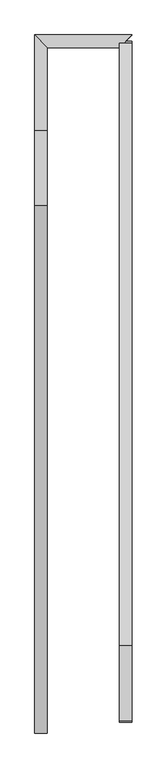
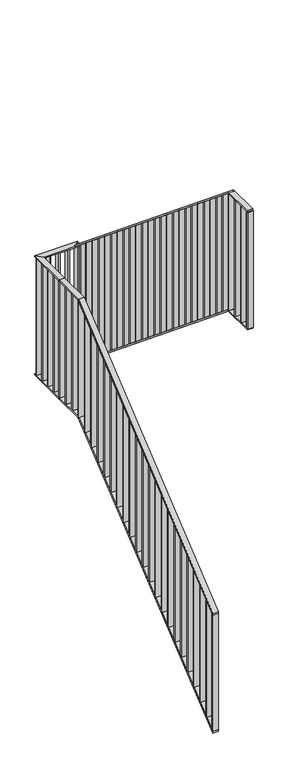
"""IFC4 building model written with IfcOpenShell, lengths in millimetres: railing geometry."""

from ifc_helpers import new_model, si_unit, frame, origin, place, context, project, spatial, polyline, outline, extrude, faceted_brep, source, transform, mapped, element, save


def railing_6a88fb97(model_context):
    return source(origin(), model_context, "Body", "SolidModel", [
        faceted_brep([(16134.6, 16194.0, -1956.875), (16094.6, 16194.0, -1956.875), (16094.6, 16194.0, -1969.799496), (16134.6, 16194.0, -1969.799496), (16134.6, 17879.25, -577.0), (16094.6, 17879.25, -577.0), (16094.6, 17882.8217053, -587.0), (16134.6, 17882.8217053, -587.0), (16134.6, 18120.0, -577.0), (16134.6, 18120.0, -587.0), (16094.6, 18120.0, -587.0), (16094.6, 18120.0, -577.0)], [[[0, 1, 2, 3]], [[1, 0, 4, 5]], [[2, 1, 5, 6]], [[3, 2, 6, 7]], [[0, 3, 7, 4]], [[8, 9, 10, 11]], [[5, 4, 8, 11]], [[6, 5, 11, 10]], [[7, 6, 10, 9]], [[4, 7, 9, 8]]]),
        faceted_brep([(16134.6, 18120.0, -577.0), (16094.6, 18120.0, -577.0), (16094.6, 18120.0, -587.0), (16134.6, 18120.0, -587.0), (16134.6, 18385.4, -577.0), (16134.6, 18385.4, -587.0), (16094.6, 18425.4, -587.0), (16094.6, 18425.4, -577.0)], [[[0, 1, 2, 3]], [[4, 5, 6, 7]], [[1, 0, 4, 7]], [[2, 1, 7, 6]], [[3, 2, 6, 5]], [[0, 3, 5, 4]]]),
        faceted_brep([(16134.6, 18385.4, -577.0), (16094.6, 18425.4, -577.0), (16094.6, 18425.4, -587.0), (16134.6, 18385.4, -587.0), (16365.4, 18385.4, -577.0), (16365.4, 18385.4, -587.0), (16405.4, 18425.4, -587.0), (16405.4, 18425.4, -577.0)], [[[0, 1, 2, 3]], [[4, 5, 6, 7]], [[1, 0, 4, 7]], [[2, 1, 7, 6]], [[3, 2, 6, 5]], [[0, 3, 5, 4]]]),
        faceted_brep([(16365.4, 18405.4, -577.0), (16405.4, 18405.4, -577.0), (16405.4, 18405.4, -587.0), (16365.4, 18405.4, -587.0), (16365.4, 18400.0, -577.0), (16405.4, 18400.0, -577.0), (16405.4, 18396.4282947, -587.0), (16365.4, 18396.4282947, -587.0), (16365.4, 16474.0, 1000.0), (16405.4, 16474.0, 1000.0), (16405.4, 16470.4282947, 990.0), (16365.4, 16470.4282947, 990.0), (16365.4, 16233.25, 1000.0), (16365.4, 16233.25, 990.0), (16405.4, 16233.25, 990.0), (16405.4, 16233.25, 1000.0)], [[[0, 1, 2, 3]], [[1, 0, 4, 5]], [[2, 1, 5, 6]], [[3, 2, 6, 7]], [[0, 3, 7, 4]], [[5, 4, 8, 9]], [[6, 5, 9, 10]], [[7, 6, 10, 11]], [[4, 7, 11, 8]], [[12, 13, 14, 15]], [[9, 8, 12, 15]], [[10, 9, 15, 14]], [[11, 10, 14, 13]], [[8, 11, 13, 12]]]),
        faceted_brep([(16134.6, 16194.0, -2856.875), (16094.6, 16194.0, -2856.875), (16094.6, 16194.0, -2869.799496), (16134.6, 16194.0, -2869.799496), (16134.6, 17879.25, -1477.0), (16094.6, 17879.25, -1477.0), (16094.6, 17882.8217053, -1487.0), (16134.6, 17882.8217053, -1487.0), (16134.6, 18120.0, -1477.0), (16134.6, 18120.0, -1487.0), (16094.6, 18120.0, -1487.0), (16094.6, 18120.0, -1477.0)], [[[0, 1, 2, 3]], [[1, 0, 4, 5]], [[2, 1, 5, 6]], [[3, 2, 6, 7]], [[0, 3, 7, 4]], [[8, 9, 10, 11]], [[5, 4, 8, 11]], [[6, 5, 11, 10]], [[7, 6, 10, 9]], [[4, 7, 9, 8]]]),
        faceted_brep([(16134.6, 18120.0, -1477.0), (16094.6, 18120.0, -1477.0), (16094.6, 18120.0, -1487.0), (16134.6, 18120.0, -1487.0), (16134.6, 18385.4, -1477.0), (16134.6, 18385.4, -1487.0), (16094.6, 18425.4, -1487.0), (16094.6, 18425.4, -1477.0)], [[[0, 1, 2, 3]], [[4, 5, 6, 7]], [[1, 0, 4, 7]], [[2, 1, 7, 6]], [[3, 2, 6, 5]], [[0, 3, 5, 4]]]),
        faceted_brep([(16134.6, 18385.4, -1477.0), (16094.6, 18425.4, -1477.0), (16094.6, 18425.4, -1487.0), (16134.6, 18385.4, -1487.0), (16365.4, 18385.4, -1477.0), (16365.4, 18385.4, -1487.0), (16405.4, 18425.4, -1487.0), (16405.4, 18425.4, -1477.0)], [[[0, 1, 2, 3]], [[4, 5, 6, 7]], [[1, 0, 4, 7]], [[2, 1, 7, 6]], [[3, 2, 6, 5]], [[0, 3, 5, 4]]]),
        faceted_brep([(16365.4, 18405.4, -1477.0), (16405.4, 18405.4, -1477.0), (16405.4, 18405.4, -1487.0), (16365.4, 18405.4, -1487.0), (16365.4, 18400.0, -1477.0), (16405.4, 18400.0, -1477.0), (16405.4, 18396.4282947, -1487.0), (16365.4, 18396.4282947, -1487.0), (16365.4, 16474.0, 100.0), (16405.4, 16474.0, 100.0), (16405.4, 16470.4282947, 90.0), (16365.4, 16470.4282947, 90.0), (16365.4, 16233.25, 100.0), (16365.4, 16233.25, 90.0), (16405.4, 16233.25, 90.0), (16405.4, 16233.25, 100.0)], [[[0, 1, 2, 3]], [[1, 0, 4, 5]], [[2, 1, 5, 6]], [[3, 2, 6, 7]], [[0, 3, 7, 4]], [[5, 4, 8, 9]], [[6, 5, 9, 10]], [[7, 6, 10, 11]], [[4, 7, 11, 8]], [[12, 13, 14, 15]], [[9, 8, 12, 15]], [[10, 9, 15, 14]], [[11, 10, 14, 13]], [[8, 11, 13, 12]]]),
        extrude(outline(polyline([(16365.4, 16238.25), (16405.4, 16238.25), (16405.4, 16228.25), (16365.4, 16228.25), (16365.4, 16238.25)])), frame((0.0, 0.0, 100.0), z_axis=(0.0, 0.0, 1.0), x_axis=(1.0, 0.0, 0.0)), (0.0, 0.0, 1.0), 890.0),
        extrude(outline(polyline([(16365.4, 16315.8267857), (16405.4, 16315.8267857), (16405.4, 16305.8267857), (16365.4, 16305.8267857), (16365.4, 16315.8267857)])), frame((0.0, 0.0, 100.0), z_axis=(0.0, 0.0, 1.0), x_axis=(1.0, 0.0, 0.0)), (0.0, 0.0, 1.0), 890.0),
        extrude(outline(polyline([(16365.4, 16393.4035714), (16405.4, 16393.4035714), (16405.4, 16383.4035714), (16365.4, 16383.4035714), (16365.4, 16393.4035714)])), frame((0.0, 0.0, 100.0), z_axis=(0.0, 0.0, 1.0), x_axis=(1.0, 0.0, 0.0)), (0.0, 0.0, 1.0), 890.0),
        extrude(outline(polyline([(16365.4, 16470.9803571), (16405.4, 16470.9803571), (16405.4, 16460.9803571), (16365.4, 16460.9803571), (16365.4, 16470.9803571)])), frame((0.0, 0.0, 100.0), z_axis=(0.0, 0.0, 1.0), x_axis=(1.0, 0.0, 0.0)), (0.0, 0.0, 1.0), 890.0),
        extrude(outline(polyline([(16548.5571429, 928.9529521), (16548.5571429, 38.9529521), (16538.5571429, 47.1409064), (16538.5571429, 937.1409064), (16548.5571429, 928.9529521)])), frame((16365.4, 0.0, 0.0), z_axis=(1.0, 0.0, 0.0), x_axis=(0.0, 1.0, 0.0)), (0.0, 0.0, 1.0), 40.0),
        extrude(outline(polyline([(16626.1339286, 865.4334344), (16626.1339286, -24.5665656), (16616.1339286, -16.3786113), (16616.1339286, 873.6213887), (16626.1339286, 865.4334344)])), frame((16365.4, 0.0, 0.0), z_axis=(1.0, 0.0, 0.0), x_axis=(0.0, 1.0, 0.0)), (0.0, 0.0, 1.0), 40.0),
        extrude(outline(polyline([(16703.7107143, 801.9139167), (16703.7107143, -88.0860833), (16693.7107143, -79.898129), (16693.7107143, 810.101871), (16703.7107143, 801.9139167)])), frame((16365.4, 0.0, 0.0), z_axis=(1.0, 0.0, 0.0), x_axis=(0.0, 1.0, 0.0)), (0.0, 0.0, 1.0), 40.0),
        extrude(outline(polyline([(16781.2875, 738.394399), (16781.2875, -151.605601), (16771.2875, -143.4176467), (16771.2875, 746.5823533), (16781.2875, 738.394399)])), frame((16365.4, 0.0, 0.0), z_axis=(1.0, 0.0, 0.0), x_axis=(0.0, 1.0, 0.0)), (0.0, 0.0, 1.0), 40.0),
        extrude(outline(polyline([(16858.8642857, 674.8748813), (16858.8642857, -215.1251187), (16848.8642857, -206.9371644), (16848.8642857, 683.0628356), (16858.8642857, 674.8748813)])), frame((16365.4, 0.0, 0.0), z_axis=(1.0, 0.0, 0.0), x_axis=(0.0, 1.0, 0.0)), (0.0, 0.0, 1.0), 40.0),
        extrude(outline(polyline([(16936.4410714, 611.3553636), (16936.4410714, -278.6446364), (16926.4410714, -270.4566821), (16926.4410714, 619.5433179), (16936.4410714, 611.3553636)])), frame((16365.4, 0.0, 0.0), z_axis=(1.0, 0.0, 0.0), x_axis=(0.0, 1.0, 0.0)), (0.0, 0.0, 1.0), 40.0),
        extrude(outline(polyline([(17014.0178571, 547.8358459), (17014.0178571, -342.1641541), (17004.0178571, -333.9761997), (17004.0178571, 556.0238003), (17014.0178571, 547.8358459)])), frame((16365.4, 0.0, 0.0), z_axis=(1.0, 0.0, 0.0), x_axis=(0.0, 1.0, 0.0)), (0.0, 0.0, 1.0), 40.0),
        extrude(outline(polyline([(17091.5946429, 484.3163283), (17091.5946429, -405.6836717), (17081.5946429, -397.4957174), (17081.5946429, 492.5042826), (17091.5946429, 484.3163283)])), frame((16365.4, 0.0, 0.0), z_axis=(1.0, 0.0, 0.0), x_axis=(0.0, 1.0, 0.0)), (0.0, 0.0, 1.0), 40.0),
        extrude(outline(polyline([(17169.1714286, 420.7968106), (17169.1714286, -469.2031894), (17159.1714286, -461.0152351), (17159.1714286, 428.9847649), (17169.1714286, 420.7968106)])), frame((16365.4, 0.0, 0.0), z_axis=(1.0, 0.0, 0.0), x_axis=(0.0, 1.0, 0.0)), (0.0, 0.0, 1.0), 40.0),
        extrude(outline(polyline([(17246.7482143, 357.2772929), (17246.7482143, -532.7227071), (17236.7482143, -524.5347528), (17236.7482143, 365.4652472), (17246.7482143, 357.2772929)])), frame((16365.4, 0.0, 0.0), z_axis=(1.0, 0.0, 0.0), x_axis=(0.0, 1.0, 0.0)), (0.0, 0.0, 1.0), 40.0),
        extrude(outline(polyline([(17324.325, 293.7577752), (17324.325, -596.2422248), (17314.325, -588.0542705), (17314.325, 301.9457295), (17324.325, 293.7577752)])), frame((16365.4, 0.0, 0.0), z_axis=(1.0, 0.0, 0.0), x_axis=(0.0, 1.0, 0.0)), (0.0, 0.0, 1.0), 40.0),
        extrude(outline(polyline([(17401.9017857, 230.2382575), (17401.9017857, -659.7617425), (17391.9017857, -651.5737882), (17391.9017857, 238.4262118), (17401.9017857, 230.2382575)])), frame((16365.4, 0.0, 0.0), z_axis=(1.0, 0.0, 0.0), x_axis=(0.0, 1.0, 0.0)), (0.0, 0.0, 1.0), 40.0),
        extrude(outline(polyline([(17479.4785714, 166.7187398), (17479.4785714, -723.2812602), (17469.4785714, -715.0933059), (17469.4785714, 174.9066941), (17479.4785714, 166.7187398)])), frame((16365.4, 0.0, 0.0), z_axis=(1.0, 0.0, 0.0), x_axis=(0.0, 1.0, 0.0)), (0.0, 0.0, 1.0), 40.0),
        extrude(outline(polyline([(17557.0553571, 103.1992221), (17557.0553571, -786.8007779), (17547.0553571, -778.6128236), (17547.0553571, 111.3871764), (17557.0553571, 103.1992221)])), frame((16365.4, 0.0, 0.0), z_axis=(1.0, 0.0, 0.0), x_axis=(0.0, 1.0, 0.0)), (0.0, 0.0, 1.0), 40.0),
        extrude(outline(polyline([(17634.6321429, 39.6797044), (17634.6321429, -850.3202956), (17624.6321429, -842.1323413), (17624.6321429, 47.8676587), (17634.6321429, 39.6797044)])), frame((16365.4, 0.0, 0.0), z_axis=(1.0, 0.0, 0.0), x_axis=(0.0, 1.0, 0.0)), (0.0, 0.0, 1.0), 40.0),
        extrude(outline(polyline([(17712.2089286, -23.8398133), (17712.2089286, -913.8398133), (17702.2089286, -905.651859), (17702.2089286, -15.651859), (17712.2089286, -23.8398133)])), frame((16365.4, 0.0, 0.0), z_axis=(1.0, 0.0, 0.0), x_axis=(0.0, 1.0, 0.0)), (0.0, 0.0, 1.0), 40.0),
        extrude(outline(polyline([(17789.7857143, -87.359331), (17789.7857143, -977.359331), (17779.7857143, -969.1713767), (17779.7857143, -79.1713767), (17789.7857143, -87.359331)])), frame((16365.4, 0.0, 0.0), z_axis=(1.0, 0.0, 0.0), x_axis=(0.0, 1.0, 0.0)), (0.0, 0.0, 1.0), 40.0),
        extrude(outline(polyline([(17867.3625, -150.8788487), (17867.3625, -1040.8788487), (17857.3625, -1032.6908943), (17857.3625, -142.6908943), (17867.3625, -150.8788487)])), frame((16365.4, 0.0, 0.0), z_axis=(1.0, 0.0, 0.0), x_axis=(0.0, 1.0, 0.0)), (0.0, 0.0, 1.0), 40.0),
        extrude(outline(polyline([(17944.9392857, -214.3983663), (17944.9392857, -1104.3983663), (17934.9392857, -1096.210412), (17934.9392857, -206.210412), (17944.9392857, -214.3983663)])), frame((16365.4, 0.0, 0.0), z_axis=(1.0, 0.0, 0.0), x_axis=(0.0, 1.0, 0.0)), (0.0, 0.0, 1.0), 40.0),
        extrude(outline(polyline([(18022.5160714, -277.917884), (18022.5160714, -1167.917884), (18012.5160714, -1159.7299297), (18012.5160714, -269.7299297), (18022.5160714, -277.917884)])), frame((16365.4, 0.0, 0.0), z_axis=(1.0, 0.0, 0.0), x_axis=(0.0, 1.0, 0.0)), (0.0, 0.0, 1.0), 40.0),
        extrude(outline(polyline([(18100.0928571, -341.4374017), (18100.0928571, -1231.4374017), (18090.0928571, -1223.2494474), (18090.0928571, -333.2494474), (18100.0928571, -341.4374017)])), frame((16365.4, 0.0, 0.0), z_axis=(1.0, 0.0, 0.0), x_axis=(0.0, 1.0, 0.0)), (0.0, 0.0, 1.0), 40.0),
        extrude(outline(polyline([(18177.6696429, -404.9569194), (18177.6696429, -1294.9569194), (18167.6696429, -1286.7689651), (18167.6696429, -396.7689651), (18177.6696429, -404.9569194)])), frame((16365.4, 0.0, 0.0), z_axis=(1.0, 0.0, 0.0), x_axis=(0.0, 1.0, 0.0)), (0.0, 0.0, 1.0), 40.0),
        extrude(outline(polyline([(18255.2464286, -468.4764371), (18255.2464286, -1358.4764371), (18245.2464286, -1350.2884828), (18245.2464286, -460.2884828), (18255.2464286, -468.4764371)])), frame((16365.4, 0.0, 0.0), z_axis=(1.0, 0.0, 0.0), x_axis=(0.0, 1.0, 0.0)), (0.0, 0.0, 1.0), 40.0),
        extrude(outline(polyline([(18332.8232143, -531.9959548), (18332.8232143, -1421.9959548), (18322.8232143, -1413.8080005), (18322.8232143, -523.8080005), (18332.8232143, -531.9959548)])), frame((16365.4, 0.0, 0.0), z_axis=(1.0, 0.0, 0.0), x_axis=(0.0, 1.0, 0.0)), (0.0, 0.0, 1.0), 40.0),
        extrude(outline(polyline([(16380.4, 18385.4), (16380.4, 18425.4), (16390.4, 18425.4), (16390.4, 18385.4), (16380.4, 18385.4)])), frame((0.0, 0.0, -1477.0), z_axis=(0.0, 0.0, 1.0), x_axis=(1.0, 0.0, 0.0)), (0.0, 0.0, 1.0), 890.0),
        extrude(outline(polyline([(16312.7, 18385.4), (16312.7, 18425.4), (16322.7, 18425.4), (16322.7, 18385.4), (16312.7, 18385.4)])), frame((0.0, 0.0, -1477.0), z_axis=(0.0, 0.0, 1.0), x_axis=(1.0, 0.0, 0.0)), (0.0, 0.0, 1.0), 890.0),
        extrude(outline(polyline([(16245.0, 18385.4), (16245.0, 18425.4), (16255.0, 18425.4), (16255.0, 18385.4), (16245.0, 18385.4)])), frame((0.0, 0.0, -1477.0), z_axis=(0.0, 0.0, 1.0), x_axis=(1.0, 0.0, 0.0)), (0.0, 0.0, 1.0), 890.0),
        extrude(outline(polyline([(16177.3, 18385.4), (16177.3, 18425.4), (16187.3, 18425.4), (16187.3, 18385.4), (16177.3, 18385.4)])), frame((0.0, 0.0, -1477.0), z_axis=(0.0, 0.0, 1.0), x_axis=(1.0, 0.0, 0.0)), (0.0, 0.0, 1.0), 890.0),
        extrude(outline(polyline([(16134.6, 18400.4), (16094.6, 18400.4), (16094.6, 18410.4), (16134.6, 18410.4), (16134.6, 18400.4)])), frame((0.0, 0.0, -1477.0), z_axis=(0.0, 0.0, 1.0), x_axis=(1.0, 0.0, 0.0)), (0.0, 0.0, 1.0), 890.0),
        extrude(outline(polyline([(16134.6, 18329.05), (16094.6, 18329.05), (16094.6, 18339.05), (16134.6, 18339.05), (16134.6, 18329.05)])), frame((0.0, 0.0, -1477.0), z_axis=(0.0, 0.0, 1.0), x_axis=(1.0, 0.0, 0.0)), (0.0, 0.0, 1.0), 890.0),
        extrude(outline(polyline([(16134.6, 18257.7), (16094.6, 18257.7), (16094.6, 18267.7), (16134.6, 18267.7), (16134.6, 18257.7)])), frame((0.0, 0.0, -1477.0), z_axis=(0.0, 0.0, 1.0), x_axis=(1.0, 0.0, 0.0)), (0.0, 0.0, 1.0), 890.0),
        extrude(outline(polyline([(16134.6, 18186.35), (16094.6, 18186.35), (16094.6, 18196.35), (16134.6, 18196.35), (16134.6, 18186.35)])), frame((0.0, 0.0, -1477.0), z_axis=(0.0, 0.0, 1.0), x_axis=(1.0, 0.0, 0.0)), (0.0, 0.0, 1.0), 890.0),
        extrude(outline(polyline([(16134.6, 18115.0), (16094.6, 18115.0), (16094.6, 18125.0), (16134.6, 18125.0), (16134.6, 18115.0)])), frame((0.0, 0.0, -1477.0), z_axis=(0.0, 0.0, 1.0), x_axis=(1.0, 0.0, 0.0)), (0.0, 0.0, 1.0), 890.0),
        extrude(outline(polyline([(16134.6, 18034.75), (16094.6, 18034.75), (16094.6, 18044.75), (16134.6, 18044.75), (16134.6, 18034.75)])), frame((0.0, 0.0, -1477.0), z_axis=(0.0, 0.0, 1.0), x_axis=(1.0, 0.0, 0.0)), (0.0, 0.0, 1.0), 890.0),
        extrude(outline(polyline([(16134.6, 17954.5), (16094.6, 17954.5), (16094.6, 17964.5), (16134.6, 17964.5), (16134.6, 17954.5)])), frame((0.0, 0.0, -1477.0), z_axis=(0.0, 0.0, 1.0), x_axis=(1.0, 0.0, 0.0)), (0.0, 0.0, 1.0), 890.0),
        extrude(outline(polyline([(17874.25, -1481.0939772), (17874.25, -591.0939772), (17884.25, -582.9060228), (17884.25, -1472.9060228), (17874.25, -1481.0939772)])), frame((16094.6, 0.0, 0.0), z_axis=(1.0, 0.0, 0.0), x_axis=(0.0, 1.0, 0.0)), (0.0, 0.0, 1.0), 40.0),
        extrude(outline(polyline([(17794.0, -1546.8023105), (17794.0, -656.8023105), (17804.0, -648.6143562), (17804.0, -1538.6143562), (17794.0, -1546.8023105)])), frame((16094.6, 0.0, 0.0), z_axis=(1.0, 0.0, 0.0), x_axis=(0.0, 1.0, 0.0)), (0.0, 0.0, 1.0), 40.0),
        extrude(outline(polyline([(17713.75, -1612.5106438), (17713.75, -722.5106438), (17723.75, -714.3226895), (17723.75, -1604.3226895), (17713.75, -1612.5106438)])), frame((16094.6, 0.0, 0.0), z_axis=(1.0, 0.0, 0.0), x_axis=(0.0, 1.0, 0.0)), (0.0, 0.0, 1.0), 40.0),
        extrude(outline(polyline([(17633.5, -1678.2189772), (17633.5, -788.2189772), (17643.5, -780.0310228), (17643.5, -1670.0310228), (17633.5, -1678.2189772)])), frame((16094.6, 0.0, 0.0), z_axis=(1.0, 0.0, 0.0), x_axis=(0.0, 1.0, 0.0)), (0.0, 0.0, 1.0), 40.0),
        extrude(outline(polyline([(17553.25, -1743.9273105), (17553.25, -853.9273105), (17563.25, -845.7393562), (17563.25, -1735.7393562), (17553.25, -1743.9273105)])), frame((16094.6, 0.0, 0.0), z_axis=(1.0, 0.0, 0.0), x_axis=(0.0, 1.0, 0.0)), (0.0, 0.0, 1.0), 40.0),
        extrude(outline(polyline([(17473.0, -1809.6356438), (17473.0, -919.6356438), (17483.0, -911.4476895), (17483.0, -1801.4476895), (17473.0, -1809.6356438)])), frame((16094.6, 0.0, 0.0), z_axis=(1.0, 0.0, 0.0), x_axis=(0.0, 1.0, 0.0)), (0.0, 0.0, 1.0), 40.0),
        extrude(outline(polyline([(17392.75, -1875.3439772), (17392.75, -985.3439772), (17402.75, -977.1560228), (17402.75, -1867.1560228), (17392.75, -1875.3439772)])), frame((16094.6, 0.0, 0.0), z_axis=(1.0, 0.0, 0.0), x_axis=(0.0, 1.0, 0.0)), (0.0, 0.0, 1.0), 40.0),
        extrude(outline(polyline([(17312.5, -1941.0523105), (17312.5, -1051.0523105), (17322.5, -1042.8643562), (17322.5, -1932.8643562), (17312.5, -1941.0523105)])), frame((16094.6, 0.0, 0.0), z_axis=(1.0, 0.0, 0.0), x_axis=(0.0, 1.0, 0.0)), (0.0, 0.0, 1.0), 40.0),
        extrude(outline(polyline([(17232.25, -2006.7606438), (17232.25, -1116.7606438), (17242.25, -1108.5726895), (17242.25, -1998.5726895), (17232.25, -2006.7606438)])), frame((16094.6, 0.0, 0.0), z_axis=(1.0, 0.0, 0.0), x_axis=(0.0, 1.0, 0.0)), (0.0, 0.0, 1.0), 40.0),
        extrude(outline(polyline([(17152.0, -2072.4689772), (17152.0, -1182.4689772), (17162.0, -1174.2810228), (17162.0, -2064.2810228), (17152.0, -2072.4689772)])), frame((16094.6, 0.0, 0.0), z_axis=(1.0, 0.0, 0.0), x_axis=(0.0, 1.0, 0.0)), (0.0, 0.0, 1.0), 40.0),
        extrude(outline(polyline([(17071.75, -2138.1773105), (17071.75, -1248.1773105), (17081.75, -1239.9893562), (17081.75, -2129.9893562), (17071.75, -2138.1773105)])), frame((16094.6, 0.0, 0.0), z_axis=(1.0, 0.0, 0.0), x_axis=(0.0, 1.0, 0.0)), (0.0, 0.0, 1.0), 40.0),
        extrude(outline(polyline([(16991.5, -2203.8856438), (16991.5, -1313.8856438), (17001.5, -1305.6976895), (17001.5, -2195.6976895), (16991.5, -2203.8856438)])), frame((16094.6, 0.0, 0.0), z_axis=(1.0, 0.0, 0.0), x_axis=(0.0, 1.0, 0.0)), (0.0, 0.0, 1.0), 40.0),
        extrude(outline(polyline([(16911.25, -2269.5939772), (16911.25, -1379.5939772), (16921.25, -1371.4060228), (16921.25, -2261.4060228), (16911.25, -2269.5939772)])), frame((16094.6, 0.0, 0.0), z_axis=(1.0, 0.0, 0.0), x_axis=(0.0, 1.0, 0.0)), (0.0, 0.0, 1.0), 40.0),
        extrude(outline(polyline([(16831.0, -2335.3023105), (16831.0, -1445.3023105), (16841.0, -1437.1143562), (16841.0, -2327.1143562), (16831.0, -2335.3023105)])), frame((16094.6, 0.0, 0.0), z_axis=(1.0, 0.0, 0.0), x_axis=(0.0, 1.0, 0.0)), (0.0, 0.0, 1.0), 40.0),
        extrude(outline(polyline([(16750.75, -2401.0106438), (16750.75, -1511.0106438), (16760.75, -1502.8226895), (16760.75, -2392.8226895), (16750.75, -2401.0106438)])), frame((16094.6, 0.0, 0.0), z_axis=(1.0, 0.0, 0.0), x_axis=(0.0, 1.0, 0.0)), (0.0, 0.0, 1.0), 40.0),
        extrude(outline(polyline([(16670.5, -2466.7189772), (16670.5, -1576.7189772), (16680.5, -1568.5310228), (16680.5, -2458.5310228), (16670.5, -2466.7189772)])), frame((16094.6, 0.0, 0.0), z_axis=(1.0, 0.0, 0.0), x_axis=(0.0, 1.0, 0.0)), (0.0, 0.0, 1.0), 40.0),
        extrude(outline(polyline([(16590.25, -2532.4273105), (16590.25, -1642.4273105), (16600.25, -1634.2393562), (16600.25, -2524.2393562), (16590.25, -2532.4273105)])), frame((16094.6, 0.0, 0.0), z_axis=(1.0, 0.0, 0.0), x_axis=(0.0, 1.0, 0.0)), (0.0, 0.0, 1.0), 40.0),
        extrude(outline(polyline([(16510.0, -2598.1356438), (16510.0, -1708.1356438), (16520.0, -1699.9476895), (16520.0, -2589.9476895), (16510.0, -2598.1356438)])), frame((16094.6, 0.0, 0.0), z_axis=(1.0, 0.0, 0.0), x_axis=(0.0, 1.0, 0.0)), (0.0, 0.0, 1.0), 40.0),
        extrude(outline(polyline([(16429.75, -2663.8439772), (16429.75, -1773.8439772), (16439.75, -1765.6560228), (16439.75, -2655.6560228), (16429.75, -2663.8439772)])), frame((16094.6, 0.0, 0.0), z_axis=(1.0, 0.0, 0.0), x_axis=(0.0, 1.0, 0.0)), (0.0, 0.0, 1.0), 40.0),
        extrude(outline(polyline([(16349.5, -2729.5523105), (16349.5, -1839.5523105), (16359.5, -1831.3643562), (16359.5, -2721.3643562), (16349.5, -2729.5523105)])), frame((16094.6, 0.0, 0.0), z_axis=(1.0, 0.0, 0.0), x_axis=(0.0, 1.0, 0.0)), (0.0, 0.0, 1.0), 40.0),
        extrude(outline(polyline([(16269.25, -2795.2606438), (16269.25, -1905.2606438), (16279.25, -1897.0726895), (16279.25, -2787.0726895), (16269.25, -2795.2606438)])), frame((16094.6, 0.0, 0.0), z_axis=(1.0, 0.0, 0.0), x_axis=(0.0, 1.0, 0.0)), (0.0, 0.0, 1.0), 40.0),
        extrude(outline(polyline([(16365.4, 16243.25), (16405.4, 16243.25), (16405.4, 16233.25), (16365.4, 16233.25), (16365.4, 16243.25)])), frame((0.0, 0.0, 100.0), z_axis=(0.0, 0.0, 1.0), x_axis=(1.0, 0.0, 0.0)), (0.0, 0.0, 1.0), 890.0),
        extrude(outline(polyline([(16194.0, -2856.875), (16194.0, -1966.875), (16204.0, -1958.6870457), (16204.0, -2848.6870457), (16194.0, -2856.875)])), frame((16094.6, 0.0, 0.0), z_axis=(1.0, 0.0, 0.0), x_axis=(0.0, 1.0, 0.0)), (0.0, 0.0, 1.0), 40.0),
    ])


if __name__ == "__main__":
    model = new_model("IFC4")
    model_context = context("Model", 3, world=origin())
    ifc_project = project(units=[si_unit("LENGTHUNIT", "METRE", prefix="MILLI")], contexts=[model_context])
    site = spatial("IfcSite", under=ifc_project)
    building = spatial("IfcBuilding", under=site)
    placement = place(None, origin())
    railing_shape = railing_6a88fb97(model_context)
    element("IfcRailing", 1, at=placement, inside=building, context=model_context, shape_type="MappedRepresentation", body=[
        mapped(railing_shape, transform((0.0, 0.0, 0.0), x_axis=(1.0, 0.0, 0.0), y_axis=(0.0, 1.0, 0.0), z_axis=(0.0, 0.0, 1.0))),
    ])
    save(model, "model.ifc")
